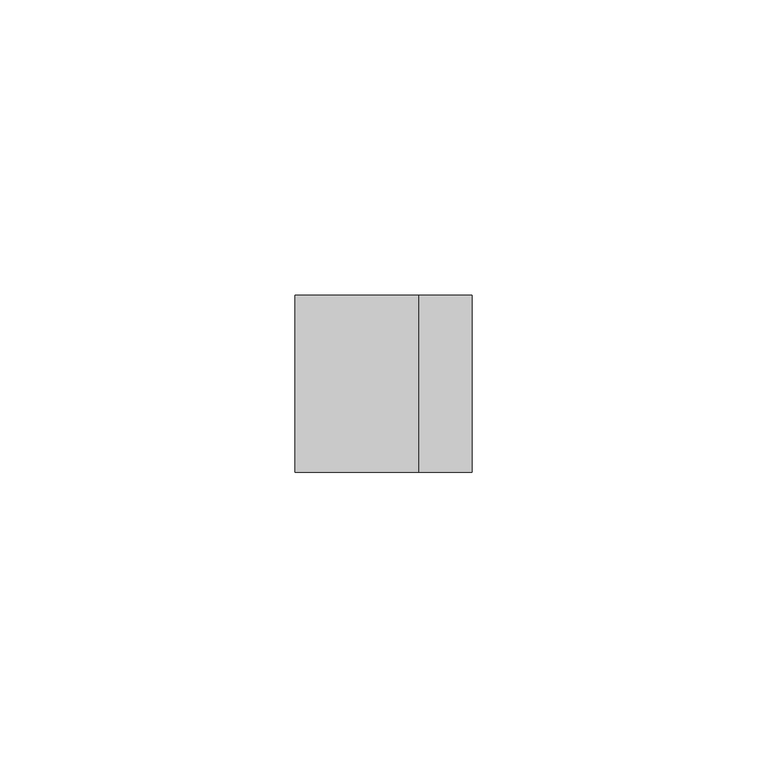
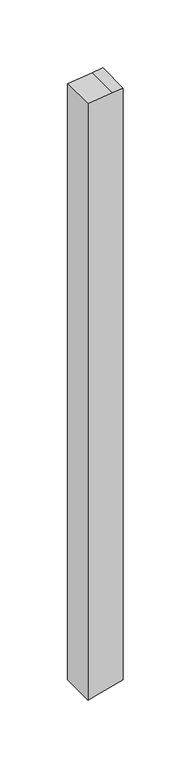
"""IFC4 building model written with IfcOpenShell, lengths in millimetres: member geometry."""

from ifc_helpers import new_model, si_unit, frame, origin, place, context, project, spatial, polyline, outline, extrude, source, transform, mapped, element, save


def member_b9b5287f(model_context):
    return source(origin(), model_context, "Body", "SweptSolid", [
        extrude(outline(polyline([(-48.5433044, 15.0), (-49.6337196, 6.041016), (-52.1946624, -15.0), (-588.9487788, -15.0), (-586.6632998, -6.4704761), (-580.9103031, 15.0), (-48.5433044, 15.0)])), frame((0.0, -15.0, 0.0), z_axis=(0.0, 1.0, 0.0), x_axis=(0.0, 0.0, 1.0)), (0.0, 0.0, 1.0), 30.0),
    ])


if __name__ == "__main__":
    model = new_model("IFC4")
    model_context = context("Model", 3, world=origin())
    ifc_project = project(units=[si_unit("LENGTHUNIT", "METRE", prefix="MILLI")], contexts=[model_context])
    site = spatial("IfcSite", under=ifc_project)
    building = spatial("IfcBuilding", under=site)
    placement = place(None, origin())
    member_shape = member_b9b5287f(model_context)
    element("IfcMember", 1, at=placement, inside=building, context=model_context, shape_type="MappedRepresentation", body=[
        mapped(member_shape, transform((0.0, 0.0, 0.0), x_axis=(1.0, 0.0, 0.0), y_axis=(0.0, 1.0, 0.0), z_axis=(0.0, 0.0, 1.0))),
    ])
    save(model, "model.ifc")
